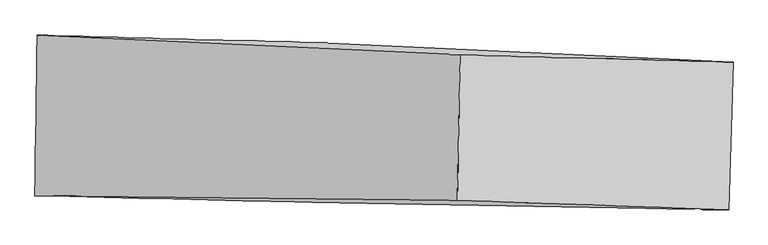
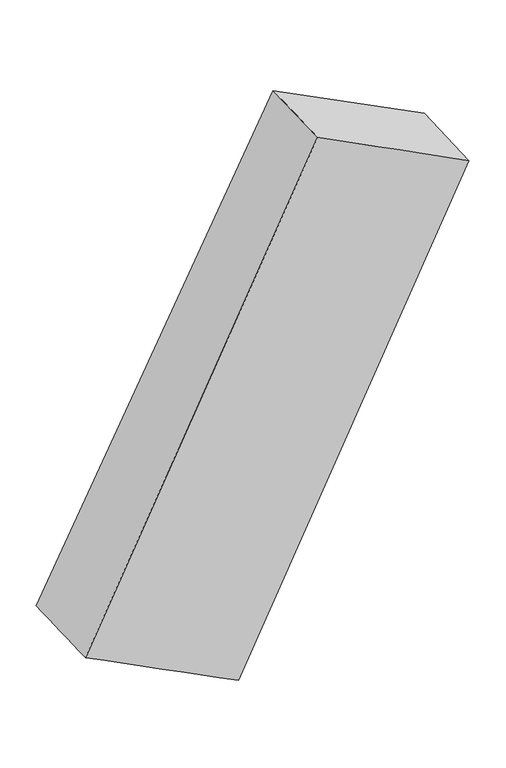
"""IFC4 building model written with IfcOpenShell, lengths in millimetres: proxy geometry."""

from ifc_helpers import new_model, si_unit, frame, origin, place, context, project, spatial, source, transform, mapped, element, save
from ifc_brep_helpers import plane_surface, spline_surface, advanced_brep


def generic_models_d280fe1b(model_context):
    return source(origin(), model_context, "Body", "AdvancedBrep", [
        advanced_brep(
        [(-1455.9816805, 983.645284, 333.3951714), (-4066.75004, 1057.1633345, 1628.2990737), (-127.1683888, 872.4380206, 9655.776954), (2416.3263362, 802.8527481, 8394.2729019), (-4088.7239463, -442.6153522, 1614.844021), (-152.389201, -487.294405, 9646.2040061), (-1509.7918625, -504.9887228, 335.8968018), (2377.1184497, -576.5869821, 8391.31107)],
        [
            (0, 1),
            (1, 2),
            (2, 3),
            (3, 0),
            (1, 4),
            (4, 5),
            (5, 2),
            (4, 6),
            (6, 7),
            (7, 5),
            (6, 0),
            (3, 7),
        ],
        [
            spline_surface(1, 1, [[(-1455.9816805, 983.645284, 333.3951714), (2416.3263362, 802.8527481, 8394.2729019)], [(-4066.75004, 1057.1633345, 1628.2990737), (-127.1683888, 872.4380206, 9655.776954)]], [2, 2], [2, 2], [0.0, 1.0], [0.0, 1.0]),
            spline_surface(1, 1, [[(-4066.75004, 1057.1633345, 1628.2990737), (-127.1683888, 872.4380206, 9655.776954)], [(-4088.7239463, -442.6153522, 1614.844021), (-152.389201, -487.294405, 9646.2040061)]], [2, 2], [2, 2], [0.0, 1.0], [0.0, 1.0]),
            spline_surface(1, 1, [[(-4088.7239463, -442.6153522, 1614.844021), (-152.389201, -487.294405, 9646.2040061)], [(-1509.7918625, -504.9887228, 335.8968018), (2377.1184497, -576.5869821, 8391.31107)]], [2, 2], [2, 2], [0.0, 1.0], [0.0, 1.0]),
            spline_surface(1, 1, [[(-1509.7918625, -504.9887228, 335.8968018), (2377.1184497, -576.5869821, 8391.31107)], [(-1455.9816805, 983.645284, 333.3951714), (2416.3263362, 802.8527481, 8394.2729019)]], [2, 2], [2, 2], [0.0, 1.0], [0.0, 1.0]),
            plane_surface(frame((1128.4717991, 152.8523454, 9021.891233), z_axis=(0.44395864192092027, -0.01454233300401595, 0.8959292632873048), x_axis=(-0.8955967341675516, 0.024501856530775204, 0.44419156765404866))),
            plane_surface(frame((-2780.3118823, 273.3011359, 978.108767), z_axis=(-0.44395864192091944, 0.014542333004016358, -0.8959292632873052), x_axis=(-0.036123711587406473, -0.9993459146447088, 0.0016793880077101539))),
        ],
        [
            (0, [[1, 2, 3, 4]]),
            (1, [[5, 6, 7, -2]]),
            (2, [[8, 9, 10, -6]]),
            (3, [[11, -4, 12, -9]]),
            (4, [[-3, -7, -10, -12]]),
            (5, [[-11, -8, -5, -1]]),
        ],
    ),
    ])


if __name__ == "__main__":
    model = new_model("IFC4")
    model_context = context("Model", 3, world=origin())
    ifc_project = project(units=[si_unit("LENGTHUNIT", "METRE", prefix="MILLI")], contexts=[model_context])
    site = spatial("IfcSite", under=ifc_project)
    building = spatial("IfcBuilding", under=site)
    placement = place(None, origin())
    generic_models_shape = generic_models_d280fe1b(model_context)
    element("IfcBuildingElementProxy", 1, Name="Generic Models", at=placement, inside=building, context=model_context, shape_type="MappedRepresentation", body=[
        mapped(generic_models_shape, transform((0.0, 0.0, 0.0), x_axis=(1.0, 0.0, 0.0), y_axis=(0.0, 1.0, 0.0), z_axis=(0.0, 0.0, 1.0))),
    ])
    save(model, "model.ifc")
